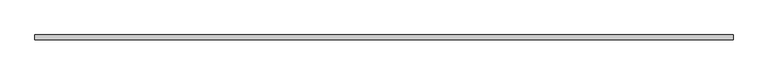
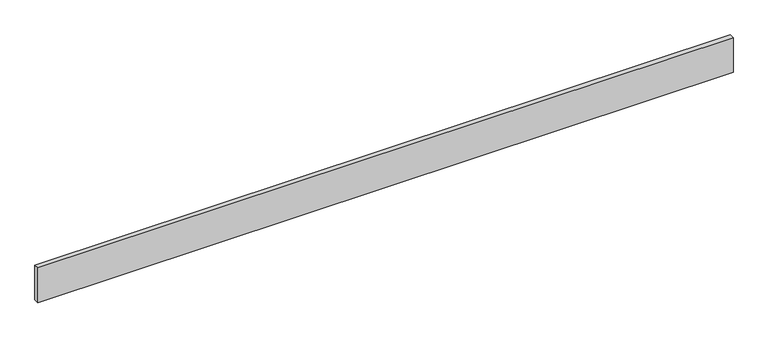
"""IFC4 building model written with IfcOpenShell, lengths in millimetres: plate geometry."""

from ifc_helpers import new_model, si_unit, origin, origin_with_axes, place, context, project, spatial, polyline, outline, extrude, source, transform, mapped, element, save


def plate_1d15179f(model_context):
    return source(origin(), model_context, "Body", "SweptSolid", [
        extrude(outline(polyline([(1421.6666667, 20.0), (-1421.6666667, 20.0), (-1421.6666667, 40.0), (1421.6666667, 40.0), (1421.6666667, 20.0)])), origin_with_axes(), (0.0, 0.0, 1.0), 150.0),
    ])


if __name__ == "__main__":
    model = new_model("IFC4")
    model_context = context("Model", 3, world=origin())
    ifc_project = project(units=[si_unit("LENGTHUNIT", "METRE", prefix="MILLI")], contexts=[model_context])
    site = spatial("IfcSite", under=ifc_project)
    building = spatial("IfcBuilding", under=site)
    placement = place(None, origin())
    plate_shape = plate_1d15179f(model_context)
    element("IfcPlate", 1, at=placement, inside=building, context=model_context, shape_type="MappedRepresentation", body=[
        mapped(plate_shape, transform((0.0, 0.0, 0.0), x_axis=(1.0, 0.0, 0.0), y_axis=(0.0, 1.0, 0.0), z_axis=(0.0, 0.0, 1.0))),
    ])
    save(model, "model.ifc")
